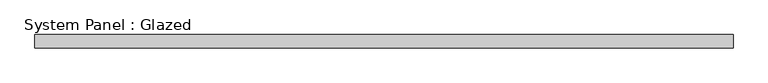
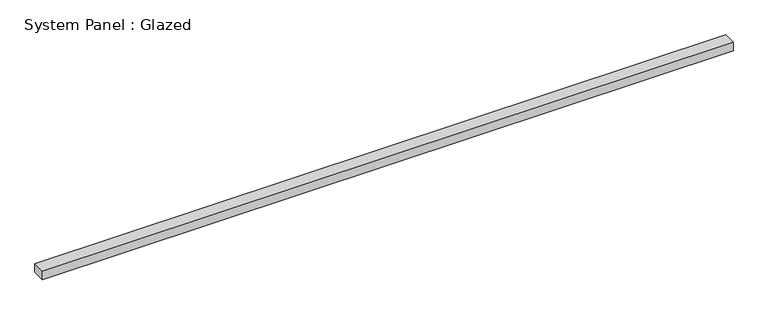
"""IFC4 building model written with IfcOpenShell, lengths in millimetres: plate geometry, System Panel : Glazed."""

from ifc_helpers import new_model, si_unit, origin, origin_with_axes, place, context, project, spatial, polyline, outline, extrude, source, transform, mapped, element, save


def system_panel_glazed_17d8d4dd(model_context):
    return source(origin(), model_context, "Body", "SweptSolid", [
        extrude(outline(polyline([(658.5, 24.5), (-658.5, 24.5), (-658.5, 49.5), (658.5, 49.5), (658.5, 24.5)])), origin_with_axes(), (0.0, 0.0, 1.0), 17.1692572),
    ])


if __name__ == "__main__":
    model = new_model("IFC4")
    model_context = context("Model", 3, world=origin())
    ifc_project = project(units=[si_unit("LENGTHUNIT", "METRE", prefix="MILLI")], contexts=[model_context])
    site = spatial("IfcSite", under=ifc_project)
    building = spatial("IfcBuilding", under=site)
    placement = place(None, origin())
    system_panel_glazed_shape = system_panel_glazed_17d8d4dd(model_context)
    element("IfcPlate", 1, ObjectType="System Panel : Glazed", at=placement, inside=building, context=model_context, shape_type="MappedRepresentation", body=[
        mapped(system_panel_glazed_shape, transform((0.0, 0.0, 0.0), x_axis=(1.0, 0.0, 0.0), y_axis=(0.0, 1.0, 0.0), z_axis=(0.0, 0.0, 1.0))),
    ])
    save(model, "model.ifc")
